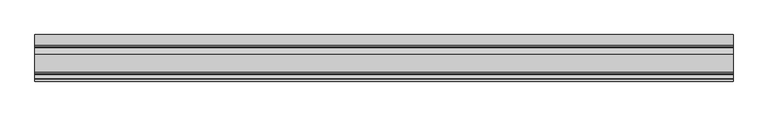
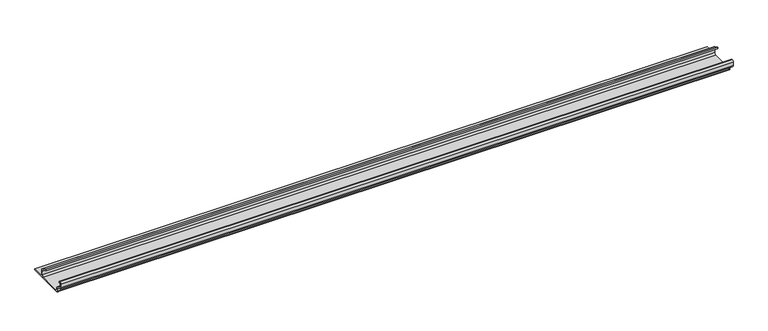
"""IFC4 building model written with IfcOpenShell, lengths in millimetres: proxy geometry."""

from ifc_helpers import new_model, si_unit, point, frame, frame_2d, origin, place, context, project, spatial, polyline, circle_curve, trimmed, segment, composite_curve, outline, extrude, source, transform, mapped, element, save


def generic_models_28205499(model_context):
    return source(origin(), model_context, "Body", "SweptSolid", [
        extrude(outline(composite_curve([segment(trimmed(circle_curve(frame_2d((-62.6503601, 1.8496399)), 1.8496399), [point((-62.6503601, 0.0))], [point((-64.5, 1.8496399))], False, "CARTESIAN"), True, "CONTINUOUS"), segment(polyline([(-64.5, 1.8496399), (-64.5, 5.954427)]), True, "CONTINUOUS"), segment(trimmed(circle_curve(frame_2d((-66.20622, 5.954427)), 1.70622), [point((-64.5, 5.954427))], [point((-65.4316123, 7.4746802))], True, "CARTESIAN"), True, "CONTINUOUS"), segment(polyline([(-65.4316123, 7.4746802), (-72.6810737, 11.1684652)]), True, "CONTINUOUS"), segment(trimmed(circle_curve(frame_2d((-71.168691, 14.1366832)), 3.331309), [point((-72.6810737, 11.1684652))], [point((-74.5, 14.1366832))], False, "CARTESIAN"), True, "CONTINUOUS"), segment(polyline([(-74.5, 14.1366832), (-74.5, 20.1779423)]), True, "CONTINUOUS"), segment(trimmed(circle_curve(frame_2d((-71.9904423, 20.1779423)), 2.5095577), [point((-74.5, 20.1779423))], [point((-71.9904423, 22.6875))], False, "CARTESIAN"), True, "CONTINUOUS"), segment(polyline([(-71.9904423, 22.6875), (-70.5, 22.6875), (-70.5, 20.6875), (-71.7785709, 20.6875)]), True, "CONTINUOUS"), segment(trimmed(circle_curve(frame_2d((-71.7785709, 19.9660709)), 0.7214291), [point((-71.7785709, 20.6875))], [point((-72.5, 19.9660709))], True, "CARTESIAN"), True, "CONTINUOUS"), segment(polyline([(-72.5, 19.9660709), (-72.5, 14.7749524)]), True, "CONTINUOUS"), segment(trimmed(circle_curve(frame_2d((-70.1271304, 14.7749524)), 2.3728696), [point((-72.5, 14.7749524))], [point((-71.2043907, 12.6607101))], True, "CARTESIAN"), True, "CONTINUOUS"), segment(polyline([(-71.2043907, 12.6607101), (-64.0754216, 9.028319)]), True, "CONTINUOUS"), segment(trimmed(circle_curve(frame_2d((-65.3853373, 6.4574646)), 2.8853373), [point((-64.0754216, 9.028319))], [point((-62.5, 6.4574646))], False, "CARTESIAN"), True, "CONTINUOUS"), segment(polyline([(-62.5, 6.4574646), (-62.5, 4.1283032)]), True, "CONTINUOUS"), segment(trimmed(circle_curve(frame_2d((-60.3716968, 4.1283032)), 2.1283032), [point((-62.5, 4.1283032))], [point((-60.3716968, 2.0))], True, "CARTESIAN"), True, "CONTINUOUS"), segment(polyline([(-60.3716968, 2.0), (-24.1498681, 2.0)]), True, "CONTINUOUS"), segment(trimmed(circle_curve(frame_2d((-24.1498681, 4.6498681)), 2.6498681), [point((-24.1498681, 2.0))], [point((-21.5, 4.6498681))], True, "CARTESIAN"), True, "CONTINUOUS"), segment(polyline([(-21.5, 4.6498681), (-21.5, 11.0762745)]), True, "CONTINUOUS"), segment(trimmed(circle_curve(frame_2d((-24.2710864, 11.0762745)), 2.7710864), [point((-21.5, 11.0762745))], [point((-23.0130395, 13.5453305))], True, "CARTESIAN"), True, "CONTINUOUS"), segment(polyline([(-23.0130395, 13.5453305), (-31.0115672, 17.620784), (-31.0115672, 19.8654365), (-21.2217486, 14.8772747)]), True, "CONTINUOUS"), segment(trimmed(circle_curve(frame_2d((-22.6533308, 12.0676364)), 3.1533308), [point((-21.2217486, 14.8772747))], [point((-19.5, 12.0676364))], False, "CARTESIAN"), True, "CONTINUOUS"), segment(polyline([(-19.5, 12.0676364), (-19.5, 4.4365856)]), True, "CONTINUOUS"), segment(trimmed(circle_curve(frame_2d((-17.0634144, 4.4365856)), 2.4365856), [point((-19.5, 4.4365856))], [point((-17.0634144, 2.0))], True, "CARTESIAN"), True, "CONTINUOUS"), segment(polyline([(-17.0634144, 2.0), (0.0, 2.0), (0.0, 0.0), (-62.6503601, 0.0)]), True, "CONTINUOUS")], self_intersect=False)), frame((0.0, 0.0, 0.0), z_axis=(1.0, 0.0, 0.0), x_axis=(0.0, 1.0, 0.0)), (0.0, 0.0, 1.0), 1115.0),
    ])


if __name__ == "__main__":
    model = new_model("IFC4")
    model_context = context("Model", 3, world=origin())
    ifc_project = project(units=[si_unit("LENGTHUNIT", "METRE", prefix="MILLI")], contexts=[model_context])
    site = spatial("IfcSite", under=ifc_project)
    building = spatial("IfcBuilding", under=site)
    placement = place(None, origin())
    generic_models_shape = generic_models_28205499(model_context)
    element("IfcBuildingElementProxy", 1, Name="Generic Models", at=placement, inside=building, context=model_context, shape_type="MappedRepresentation", body=[
        mapped(generic_models_shape, transform((0.0, 0.0, 0.0), x_axis=(1.0, 0.0, 0.0), y_axis=(0.0, 1.0, 0.0), z_axis=(0.0, 0.0, 1.0))),
    ])
    save(model, "model.ifc")
